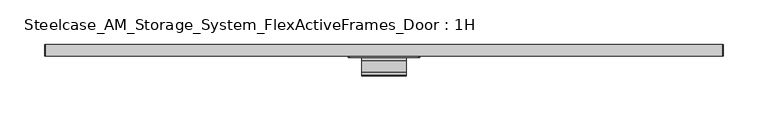
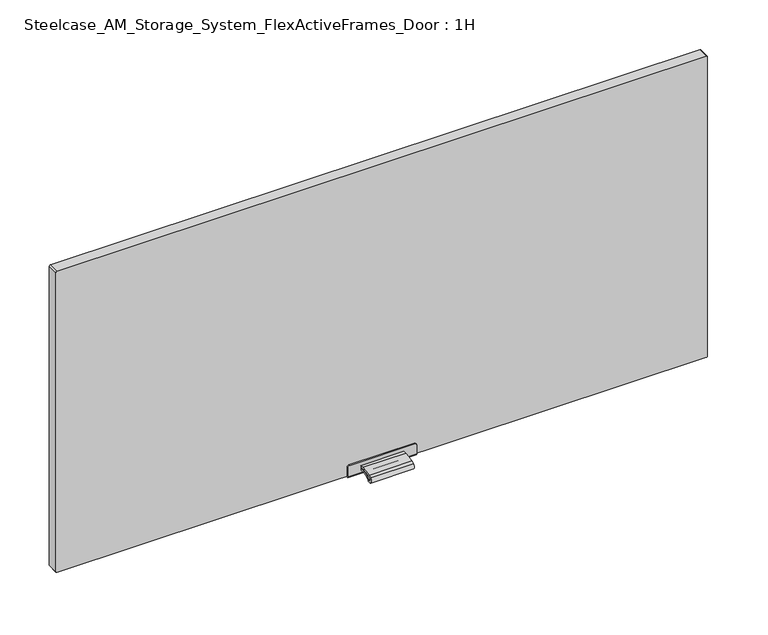
"""IFC4 building model written with IfcOpenShell, lengths in millimetres: furniture geometry, Steelcase_AM_Storage_System_FlexActiveFrames_Door : 1H."""

from ifc_helpers import new_model, si_unit, point, frame, frame_2d, origin, place, context, project, spatial, polyline, circle_curve, trimmed, segment, composite_curve, outline, extrude, source, transform, mapped, element, save
from ifc_brep_helpers import plane_surface, cylinder_surface, advanced_brep


def steelcase_am_storage_system_flexactiveframes_door_1h_915463b6(model_context):
    return source(origin(), model_context, "Body", "SolidModel", [
        extrude(outline(composite_curve([segment(polyline([(-5.226909, 130.4286545), (-1.5, 130.4286545), (-1.5, 128.5286545), (-5.226909, 128.5286545)]), True, "CONTINUOUS"), segment(trimmed(circle_curve(frame_2d((-5.226909, 86.4886922)), 42.0399623), [point((-5.226909, 128.5286545))], [point((-17.4555436, 126.710812))], True, "CARTESIAN"), True, "CONTINUOUS"), segment(trimmed(circle_curve(frame_2d((-15.0259096, 118.7193203)), 8.352668), [point((-17.4555436, 126.710812))], [point((-19.9670362, 125.4537341))], True, "CARTESIAN"), True, "CONTINUOUS"), segment(trimmed(circle_curve(frame_2d((-18.7726745, 123.8259018)), 2.0189943), [point((-19.9670362, 125.4537341))], [point((-17.4167634, 122.3299595))], True, "CARTESIAN"), True, "CONTINUOUS"), segment(trimmed(circle_curve(frame_2d((-5.2269079, 108.8812021)), 18.1510786), [point((-17.4167634, 122.3299595))], [point((-5.2269079, 127.0322806))], False, "CARTESIAN"), True, "CONTINUOUS"), segment(polyline([(-5.2269079, 127.0322806), (-1.5, 127.0322806), (-1.5, 125.1322806), (-5.2269079, 125.1322806)]), True, "CONTINUOUS"), segment(trimmed(circle_curve(frame_2d((-5.2269079, 108.8812021)), 16.2510786), [point((-5.2269079, 125.1322806))], [point((-16.1407662, 120.9221843))], True, "CARTESIAN"), True, "CONTINUOUS"), segment(trimmed(circle_curve(frame_2d((-18.7726745, 123.8259018)), 3.9189943), [point((-16.1407662, 120.9221843))], [point((-21.0910053, 126.9856263))], False, "CARTESIAN"), True, "CONTINUOUS"), segment(trimmed(circle_curve(frame_2d((-15.0259096, 118.7193203)), 10.252668), [point((-21.0910053, 126.9856263))], [point((-18.0082179, 128.5286545))], False, "CARTESIAN"), True, "CONTINUOUS"), segment(trimmed(circle_curve(frame_2d((-5.226909, 86.4886922)), 43.9399623), [point((-18.0082179, 128.5286545))], [point((-5.226909, 130.4286545))], False, "CARTESIAN"), True, "CONTINUOUS")], self_intersect=False)), frame((-25.0, 0.0, 0.0), z_axis=(1.0, 0.0, 0.0), x_axis=(0.0, 1.0, 0.0)), (0.0, 0.0, 1.0), 50.0),
        advanced_brep(
        [(38.2, -1.5, 135.0), (-38.2, -1.5, 135.0), (-40.0, -1.5, 133.2), (-40.0, -1.5, 122.0), (40.0, -1.5, 122.0), (40.0, -1.5, 133.2), (38.2, 0.0, 135.0), (40.0, 0.0, 133.2), (40.0, 0.0, 121.5), (-40.0, 0.0, 121.5), (-40.0, 0.0, 133.2), (-38.2, 0.0, 135.0), (-40.0, 13.0, 121.5), (-40.0, 13.0, 120.0), (-40.0, 0.5, 120.0), (40.0, 0.5, 120.0), (40.0, 13.0, 120.0), (40.0, 13.0, 121.5)],
        [
            (0, 1),
            (1, 2, circle_curve(frame((-38.2, -1.5, 133.2), z_axis=(0.0, -1.0, 0.0), x_axis=(1.0, 0.0, 0.0)), 1.8)),
            (2, 3),
            (3, 4),
            (4, 5),
            (5, 0, circle_curve(frame((38.2, -1.5, 133.2), z_axis=(0.0, -1.0, 0.0), x_axis=(1.0, 0.0, 0.0)), 1.8)),
            (6, 7, circle_curve(frame((38.2, 0.0, 133.2), z_axis=(0.0, 1.0, 0.0), x_axis=(1.0, 0.0, 0.0)), 1.8)),
            (7, 8),
            (8, 9),
            (9, 10),
            (10, 11, circle_curve(frame((-38.2, 0.0, 133.2), z_axis=(0.0, 1.0, 0.0), x_axis=(1.0, 0.0, 0.0)), 1.8)),
            (11, 6),
            (0, 6),
            (11, 1),
            (10, 2),
            (9, 12),
            (12, 13),
            (13, 14),
            (14, 3, circle_curve(frame((-40.0, 0.5, 122.0), z_axis=(-1.0, 0.0, 0.0), x_axis=(0.0, 1.0, 0.0)), 2.0)),
            (4, 15, circle_curve(frame((40.0, 0.5, 122.0), z_axis=(1.0, 0.0, 0.0), x_axis=(0.0, 1.0, 0.0)), 2.0)),
            (15, 16),
            (16, 17),
            (17, 8),
            (7, 5),
            (15, 14),
            (13, 16),
            (12, 17),
        ],
        [
            plane_surface(frame((-40.0, -1.5, 135.0), z_axis=(0.0, -1.0, 0.0), x_axis=(-1.0, 0.0, 0.0))),
            plane_surface(frame((-40.0, 0.0, 135.0), z_axis=(0.0, 1.0, 0.0), x_axis=(1.0, 0.0, 0.0))),
            plane_surface(frame((38.2, -1.5, 135.0), z_axis=(0.0, 0.0, 1.0), x_axis=(0.0, 1.0, 0.0))),
            cylinder_surface(frame((-38.2, 0.0, 133.2), z_axis=(0.0, -1.0, 0.0), x_axis=(1.0, 0.0, 0.0)), 1.8),
            plane_surface(frame((-40.0, -1.5, 133.2), z_axis=(-1.0, 0.0, 0.0), x_axis=(0.0, 1.0, 0.0))),
            plane_surface(frame((40.0, -1.5, 124.5), z_axis=(1.0, 0.0, 0.0), x_axis=(0.0, 1.0, 0.0))),
            cylinder_surface(frame((38.2, 0.0, 133.2), z_axis=(0.0, -1.0, 0.0), x_axis=(1.0, 0.0, 0.0)), 1.8),
            plane_surface(frame((40.0, 0.5, 120.0), z_axis=(0.0, 0.0, -1.0), x_axis=(-1.0, 0.0, 0.0))),
            plane_surface(frame((40.0, 13.0, 120.0), z_axis=(0.0, 1.0, 0.0), x_axis=(-1.0, 0.0, 0.0))),
            plane_surface(frame((40.0, 13.0, 121.5), z_axis=(0.0, 0.0, 1.0), x_axis=(-1.0, 0.0, 0.0))),
            cylinder_surface(frame((-40.0, 0.5, 122.0), z_axis=(1.0, 0.0, 0.0), x_axis=(0.0, 1.0, 0.0)), 2.0),
        ],
        [
            (0, [[1, 2, 3, 4, 5, 6]]),
            (1, [[7, 8, 9, 10, 11, 12]]),
            (2, [[-1, 13, -12, 14]]),
            (3, [[-2, -14, -11, 15]]),
            (4, [[-3, -15, -10, 16, 17, 18, 19]]),
            (5, [[-5, 20, 21, 22, 23, -8, 24]]),
            (6, [[-6, -24, -7, -13]]),
            (7, [[-21, 25, -18, 26]]),
            (8, [[-22, -26, -17, 27]]),
            (9, [[-23, -27, -16, -9]]),
            (10, [[-20, -4, -19, -25]]),
        ],
    ),
        extrude(outline(composite_curve([segment(polyline([(493.5, 379.0), (493.5, -379.0)]), True, "CONTINUOUS"), segment(trimmed(circle_curve(frame_2d((492.0, -379.0)), 1.5), [point((493.5, -379.0))], [point((492.0, -380.5))], False, "CARTESIAN"), True, "CONTINUOUS"), segment(polyline([(492.0, -380.5), (123.0, -380.5)]), True, "CONTINUOUS"), segment(trimmed(circle_curve(frame_2d((123.0, -379.0)), 1.5), [point((123.0, -380.5))], [point((121.5, -379.0))], False, "CARTESIAN"), True, "CONTINUOUS"), segment(polyline([(121.5, -379.0), (121.5, 379.0)]), True, "CONTINUOUS"), segment(trimmed(circle_curve(frame_2d((123.0, 379.0)), 1.5), [point((121.5, 379.0))], [point((123.0, 380.5))], False, "CARTESIAN"), True, "CONTINUOUS"), segment(polyline([(123.0, 380.5), (492.0, 380.5)]), True, "CONTINUOUS"), segment(trimmed(circle_curve(frame_2d((492.0, 379.0)), 1.5), [point((492.0, 380.5))], [point((493.5, 379.0))], False, "CARTESIAN"), True, "CONTINUOUS")], self_intersect=False)), frame((0.0, 0.0, 0.0), z_axis=(0.0, 1.0, 0.0), x_axis=(0.0, 0.0, 1.0)), (0.0, 0.0, 1.0), 13.0),
    ])


if __name__ == "__main__":
    model = new_model("IFC4")
    model_context = context("Model", 3, world=origin())
    ifc_project = project(units=[si_unit("LENGTHUNIT", "METRE", prefix="MILLI")], contexts=[model_context])
    site = spatial("IfcSite", under=ifc_project)
    building = spatial("IfcBuilding", under=site)
    placement = place(None, origin())
    steelcase_am_storage_system_flexactiveframes_door_1h_shape = steelcase_am_storage_system_flexactiveframes_door_1h_915463b6(model_context)
    element("IfcFurniture", 1, ObjectType="Steelcase_AM_Storage_System_FlexActiveFrames_Door : 1H", at=placement, inside=building, context=model_context, shape_type="MappedRepresentation", body=[
        mapped(steelcase_am_storage_system_flexactiveframes_door_1h_shape, transform((0.0, 0.0, 0.0), x_axis=(1.0, 0.0, 0.0), y_axis=(0.0, 1.0, 0.0), z_axis=(0.0, 0.0, 1.0))),
    ])
    save(model, "model.ifc")
